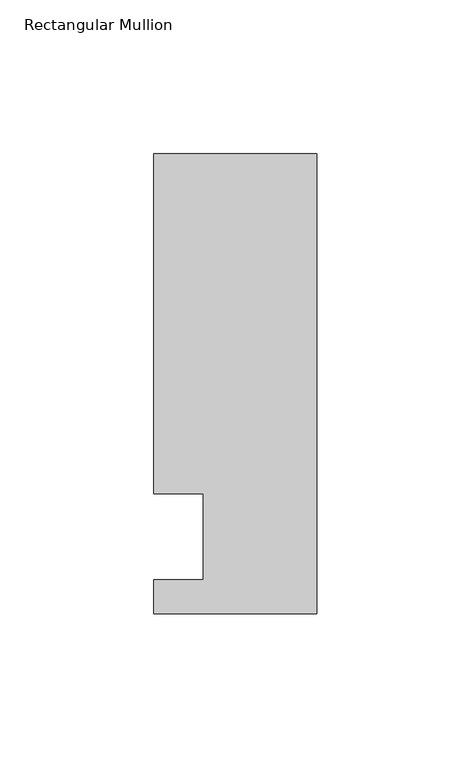
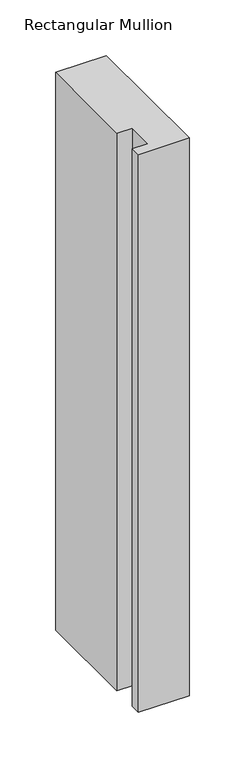
"""IFC4 building model written with IfcOpenShell, lengths in millimetres: member geometry, Rectangular Mullion."""

from ifc_helpers import new_model, si_unit, frame, origin, place, context, project, spatial, polyline, outline, extrude, source, transform, mapped, element, save


def rectangular_mullion_a4085e39(model_context):
    return source(origin(), model_context, "Body", "SweptSolid", [
        extrude(outline(polyline([(0.0, -25.0), (-53.0, -25.0), (-53.0, -14.0), (-37.0, -14.0), (-37.0, 14.0), (-53.0, 14.0), (-53.0, 124.5), (0.0, 124.5), (0.0, -25.0)])), frame((0.0, 0.0, -613.2487586), z_axis=(0.0, 0.0, 1.0), x_axis=(1.0, 0.0, 0.0)), (0.0, 0.0, 1.0), 613.2487586),
    ])


if __name__ == "__main__":
    model = new_model("IFC4")
    model_context = context("Model", 3, world=origin())
    ifc_project = project(units=[si_unit("LENGTHUNIT", "METRE", prefix="MILLI")], contexts=[model_context])
    site = spatial("IfcSite", under=ifc_project)
    building = spatial("IfcBuilding", under=site)
    placement = place(None, origin())
    rectangular_mullion_shape = rectangular_mullion_a4085e39(model_context)
    element("IfcMember", 1, ObjectType="Rectangular Mullion", at=placement, inside=building, context=model_context, shape_type="MappedRepresentation", body=[
        mapped(rectangular_mullion_shape, transform((0.0, 0.0, 0.0), x_axis=(1.0, 0.0, 0.0), y_axis=(0.0, 1.0, 0.0), z_axis=(0.0, 0.0, 1.0))),
    ])
    save(model, "model.ifc")
